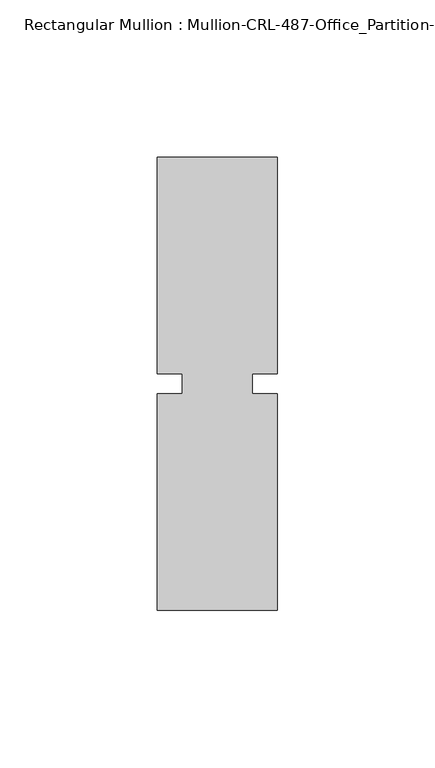
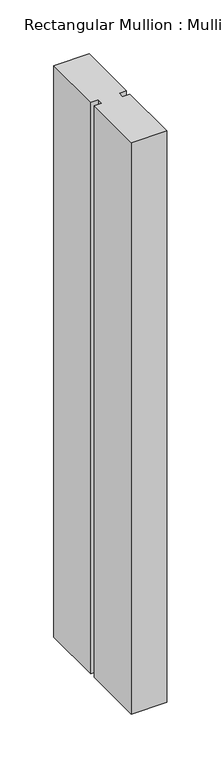
"""IFC4 building model written with IfcOpenShell, lengths in millimetres: member geometry, Rectangular Mullion : Mullion-CRL-487-Office_Partition-Intermediate_Vertical."""

from ifc_helpers import new_model, si_unit, frame, origin, place, context, project, spatial, polyline, outline, extrude, source, transform, mapped, element, save


def rectangular_mullion_mullion_crl_487_office_partition_ffa53372(model_context):
    return source(origin(), model_context, "Body", "SweptSolid", [
        extrude(outline(polyline([(-19.05, 3.175), (-19.05, 71.9452142), (19.05, 71.9452142), (19.05, 3.175), (11.1125, 3.175), (11.1125, -3.175), (19.05, -3.175), (19.05, -71.9452143), (-19.05, -71.9452143), (-19.05, -3.175), (-11.1125, -3.175), (-11.1125, 3.175), (-19.05, 3.175)])), frame((0.0, 0.0, -647.7), z_axis=(0.0, 0.0, 1.0), x_axis=(1.0, 0.0, 0.0)), (0.0, 0.0, 1.0), 647.7),
    ])


if __name__ == "__main__":
    model = new_model("IFC4")
    model_context = context("Model", 3, world=origin())
    ifc_project = project(units=[si_unit("LENGTHUNIT", "METRE", prefix="MILLI")], contexts=[model_context])
    site = spatial("IfcSite", under=ifc_project)
    building = spatial("IfcBuilding", under=site)
    placement = place(None, origin())
    rectangular_mullion_mullion_crl_487_office_partition_shape = rectangular_mullion_mullion_crl_487_office_partition_ffa53372(model_context)
    element("IfcMember", 1, ObjectType="Rectangular Mullion : Mullion-CRL-487-Office_Partition-Intermediate_Vertical", at=placement, inside=building, context=model_context, shape_type="MappedRepresentation", body=[
        mapped(rectangular_mullion_mullion_crl_487_office_partition_shape, transform((0.0, 0.0, 0.0), x_axis=(1.0, 0.0, 0.0), y_axis=(0.0, 1.0, 0.0), z_axis=(0.0, 0.0, 1.0))),
    ])
    save(model, "model.ifc")
